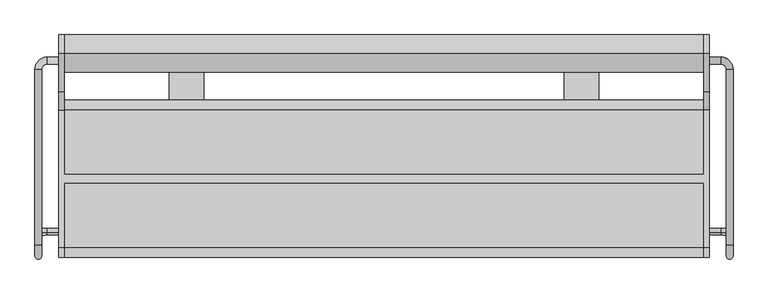
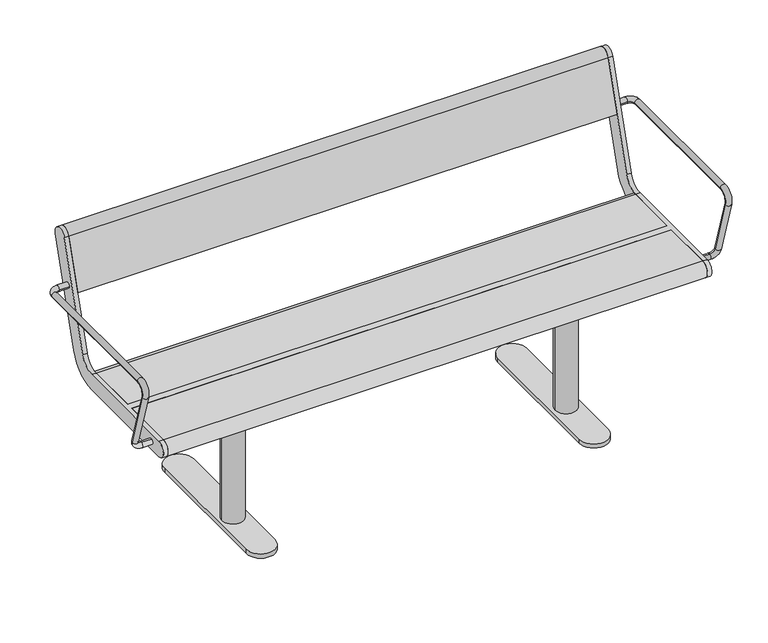
"""IFC4 building model written with IfcOpenShell, lengths in millimetres: furniture geometry."""

from ifc_helpers import new_model, si_unit, point, frame, frame_2d, origin, origin_with_axes, place, context, project, spatial, polyline, circle_curve, ellipse_curve, trimmed, segment, composite_curve, outline, extrude, source, transform, mapped, element, save
from ifc_brep_helpers import plane_surface, cylinder_surface, revolved_surface, advanced_brep


def furniture_3069e2c8(model_context):
    return source(origin(), model_context, "Body", "SolidModel", [
        advanced_brep(
        [(757.0, -126.3389736, 435.150438), (757.0, -121.6610264, 419.849562), (784.0, -121.6610264, 419.849562), (784.0, -126.3389736, 435.150438), (813.0, -130.1398058, 447.5823999), (797.0, -130.1398058, 447.5823999), (797.0, 254.0, 641.5), (797.0, -154.3793835, 641.5), (813.0, -154.3793835, 641.5), (813.0, 254.0, 641.5), (813.0, -179.1796199, 607.9844042), (797.0, -179.1796199, 607.9844042), (757.0, 267.0, 641.5), (757.0, 283.0, 641.5), (784.0, 267.0, 641.5), (784.0, 283.0, 641.5)],
        [
            (0, 1, circle_curve(frame((757.0, -124.0, 427.5), z_axis=(-1.0, 0.0, 0.0), x_axis=(0.0, 0.2923717047227402, -0.9563047559630344)), 8.0)),
            (1, 0, circle_curve(frame((757.0, -124.0, 427.5), z_axis=(-1.0, 0.0, 0.0), x_axis=(0.0, 0.2923717047227402, -0.9563047559630344)), 8.0)),
            (1, 2),
            (2, 3, circle_curve(frame((784.0, -124.0, 427.5), z_axis=(-1.0, 0.0, 0.0), x_axis=(0.0, 0.2923717047227402, -0.9563047559630344)), 8.0)),
            (3, 0),
            (3, 2, circle_curve(frame((784.0, -124.0, 427.5), z_axis=(-1.0, 0.0, 0.0), x_axis=(0.0, 0.2923717047227402, -0.9563047559630344)), 8.0)),
            (2, 4, circle_curve(frame((784.0, -130.1398058, 447.5823999), z_axis=(0.0, -0.9563047559630344, -0.29237170472274027), x_axis=(0.0, 0.29237170472274027, -0.9563047559630344)), 29.0)),
            (4, 5, circle_curve(frame((805.0, -130.1398058, 447.5823999), z_axis=(0.0, 0.29237170472274027, -0.9563047559630344), x_axis=(1.0, 0.0, 0.0)), 8.0)),
            (5, 3, circle_curve(frame((784.0, -130.1398058, 447.5823999), z_axis=(0.0, 0.9563047559630344, 0.29237170472274027), x_axis=(0.0, 0.29237170472274027, -0.9563047559630344)), 13.0)),
            (5, 4, circle_curve(frame((805.0, -130.1398058, 447.5823999), z_axis=(0.0, 0.29237170472274027, -0.9563047559630344), x_axis=(1.0, 0.0, 0.0)), 8.0)),
            (6, 7),
            (7, 8, circle_curve(frame((805.0, -154.3793835, 641.5), z_axis=(0.0, 1.0, 0.0), x_axis=(1.0, 0.0, 0.0)), 8.0)),
            (8, 9),
            (9, 6, circle_curve(frame((805.0, 254.0, 641.5), z_axis=(0.0, -1.0, 0.0), x_axis=(1.0, 0.0, 0.0)), 8.0)),
            (6, 9, circle_curve(frame((805.0, 254.0, 641.5), z_axis=(0.0, -1.0, 0.0), x_axis=(1.0, 0.0, 0.0)), 8.0)),
            (8, 7, circle_curve(frame((805.0, -154.3793835, 641.5), z_axis=(0.0, 1.0, 0.0), x_axis=(1.0, 0.0, 0.0)), 8.0)),
            (8, 10, circle_curve(frame((813.0, -154.3793835, 615.5665973), z_axis=(1.0, 0.0, 0.0), x_axis=(0.0, 0.0, 1.0)), 25.9334027)),
            (10, 11, circle_curve(frame((805.0, -179.1796199, 607.9844042), z_axis=(0.0, -0.29237170472273366, 0.9563047559630364), x_axis=(1.0, 0.0, 0.0)), 8.0)),
            (11, 7, circle_curve(frame((797.0, -154.3793835, 615.5665973), z_axis=(-1.0, 0.0, 0.0), x_axis=(0.0, 0.0, 1.0)), 25.9334027)),
            (11, 10, circle_curve(frame((805.0, -179.1796199, 607.9844042), z_axis=(0.0, -0.2923717047227341, 0.9563047559630362), x_axis=(1.0, 0.0, 0.0)), 8.0)),
            (10, 4),
            (5, 11),
            (12, 13, circle_curve(frame((757.0, 275.0, 641.5), z_axis=(-1.0, 0.0, 0.0), x_axis=(0.0, 1.0, 0.0)), 8.0)),
            (13, 12, circle_curve(frame((757.0, 275.0, 641.5), z_axis=(-1.0, 0.0, 0.0), x_axis=(0.0, 1.0, 0.0)), 8.0)),
            (12, 14),
            (14, 15, circle_curve(frame((784.0, 275.0, 641.5), z_axis=(-1.0, 0.0, 0.0), x_axis=(0.0, 1.0, 0.0)), 8.0)),
            (15, 13),
            (15, 14, circle_curve(frame((784.0, 275.0, 641.5), z_axis=(-1.0, 0.0, 0.0), x_axis=(0.0, 1.0, 0.0)), 8.0)),
            (14, 6, circle_curve(frame((784.0, 254.0, 641.5), z_axis=(0.0, 0.0, -1.0), x_axis=(0.0, 1.0, 0.0)), 13.0)),
            (9, 15, circle_curve(frame((784.0, 254.0, 641.5), z_axis=(0.0, 0.0, 1.0), x_axis=(0.0, 1.0, 0.0)), 29.0)),
        ],
        [
            plane_surface(frame((757.0, 489.469501, 615.0564486), z_axis=(-1.0, 0.0, 0.0), x_axis=(0.0, -0.9563047559630344, -0.29237170472274027))),
            cylinder_surface(frame((757.0, -124.0, 427.5), z_axis=(-1.0, 0.0, 0.0), x_axis=(0.0, 0.2923717047227402, -0.9563047559630344)), 8.0),
            revolved_surface(trimmed(ellipse_curve(frame((784.0, -124.0, 427.5), z_axis=(-1.0, 0.0, 0.0), x_axis=(0.0, 0.2923717047227402, -0.9563047559630344)), 8.0, 8.0), [point((784.0, -121.6610264, 419.849562))], [point((784.0, -126.3389736, 435.150438))], True, "CARTESIAN"), (784.0, 483.3296952, 635.1388485), (0.0, -0.9563047559630344, -0.29237170472274027)),
            revolved_surface(trimmed(ellipse_curve(frame((784.0, -124.0, 427.5), z_axis=(-1.0, 0.0, 0.0), x_axis=(0.0, 0.2923717047227402, -0.9563047559630344)), 8.0, 8.0), [point((784.0, -126.3389736, 435.150438))], [point((784.0, -121.6610264, 419.849562))], True, "CARTESIAN"), (784.0, 483.3296952, 635.1388485), (0.0, -0.9563047559630344, -0.29237170472274027)),
            cylinder_surface(frame((805.0, 254.0, 641.5), z_axis=(0.0, 1.0, 0.0), x_axis=(1.0, 0.0, 0.0)), 8.0),
            revolved_surface(trimmed(ellipse_curve(frame((805.0, -154.3793835, 641.5), z_axis=(0.0, 1.0, 0.0), x_axis=(1.0, 0.0, 0.0)), 8.0, 8.0), [point((813.0, -154.3793835, 641.5))], [point((797.0, -154.3793835, 641.5))], True, "CARTESIAN"), (500.0, -154.3793835, 615.5665973), (1.0, 0.0, 0.0)),
            revolved_surface(trimmed(ellipse_curve(frame((805.0, -154.3793835, 641.5), z_axis=(0.0, 1.0, 0.0), x_axis=(1.0, 0.0, 0.0)), 8.0, 8.0), [point((797.0, -154.3793835, 641.5))], [point((813.0, -154.3793835, 641.5))], True, "CARTESIAN"), (500.0, -154.3793835, 615.5665973), (1.0, 0.0, 0.0)),
            cylinder_surface(frame((805.0, -179.1796199, 607.9844042), z_axis=(0.0, -0.29237170472273794, 0.9563047559630351), x_axis=(1.0, 0.0, 0.0)), 8.0),
            plane_surface(frame((757.0, 275.0, 0.0), z_axis=(-1.0, 0.0, 0.0), x_axis=(0.0, 0.0, 1.0))),
            cylinder_surface(frame((757.0, 275.0, 641.5), z_axis=(-1.0, 0.0, 0.0), x_axis=(0.0, 1.0, 0.0)), 8.0),
            revolved_surface(trimmed(ellipse_curve(frame((784.0, 275.0, 641.5), z_axis=(-1.0, 0.0, 0.0), x_axis=(0.0, 1.0, 0.0)), 8.0, 8.0), [point((784.0, 267.0, 641.5))], [point((784.0, 283.0, 641.5))], True, "CARTESIAN"), (784.0, 254.0, 0.0), (0.0, 0.0, -1.0)),
            revolved_surface(trimmed(ellipse_curve(frame((784.0, 275.0, 641.5), z_axis=(-1.0, 0.0, 0.0), x_axis=(0.0, 1.0, 0.0)), 8.0, 8.0), [point((784.0, 283.0, 641.5))], [point((784.0, 267.0, 641.5))], True, "CARTESIAN"), (784.0, 254.0, 0.0), (0.0, 0.0, -1.0)),
        ],
        [
            (0, [[1, 2]]),
            (1, [[-2, 3, 4, 5]]),
            (1, [[-1, -5, 6, -3]]),
            (2, [[-4, 7, 8, 9]]),
            (3, [[-6, -9, 10, -7]]),
            (4, [[11, 12, 13, 14]]),
            (4, [[-11, 15, -13, 16]]),
            (5, [[-16, 17, 18, 19]]),
            (6, [[-12, -19, 20, -17]]),
            (7, [[-18, 21, -10, 22]]),
            (7, [[-20, -22, -8, -21]]),
            (8, [[23, 24]]),
            (9, [[-23, 25, 26, 27]]),
            (9, [[-24, -27, 28, -25]]),
            (10, [[-26, 29, -14, 30]]),
            (11, [[-28, -30, -15, -29]]),
        ],
    ),
        advanced_brep(
        [(-813.0, 254.0, 641.5), (-813.0, -154.3793835, 641.5), (-797.0, -154.3793835, 641.5), (-797.0, 254.0, 641.5), (-757.0, 267.0, 641.5), (-757.0, 283.0, 641.5), (-784.0, 283.0, 641.5), (-784.0, 267.0, 641.5), (-797.0, -179.1796199, 607.9844042), (-813.0, -179.1796199, 607.9844042), (-797.0, -130.1398058, 447.5823999), (-813.0, -130.1398058, 447.5823999), (-757.0, -126.3389736, 435.150438), (-757.0, -121.6610264, 419.849562), (-784.0, -126.3389736, 435.150438), (-784.0, -121.6610264, 419.849562)],
        [
            (0, 1),
            (1, 2, circle_curve(frame((-805.0, -154.3793835, 641.5), z_axis=(0.0, 1.0, 0.0), x_axis=(-1.0, 0.0, 0.0)), 8.0)),
            (2, 3),
            (3, 0, circle_curve(frame((-805.0, 254.0, 641.5), z_axis=(0.0, -1.0, 0.0), x_axis=(-1.0, 0.0, 0.0)), 8.0)),
            (0, 3, circle_curve(frame((-805.0, 254.0, 641.5), z_axis=(0.0, -1.0, 0.0), x_axis=(-1.0, 0.0, 0.0)), 8.0)),
            (2, 1, circle_curve(frame((-805.0, -154.3793835, 641.5), z_axis=(0.0, 1.0, 0.0), x_axis=(-1.0, 0.0, 0.0)), 8.0)),
            (4, 5, circle_curve(frame((-757.0, 275.0, 641.5), z_axis=(1.0, 0.0, 0.0), x_axis=(0.0, 1.0, 0.0)), 8.0)),
            (5, 4, circle_curve(frame((-757.0, 275.0, 641.5), z_axis=(1.0, 0.0, 0.0), x_axis=(0.0, 1.0, 0.0)), 8.0)),
            (5, 6),
            (6, 7, circle_curve(frame((-784.0, 275.0, 641.5), z_axis=(1.0, 0.0, 0.0), x_axis=(0.0, 1.0, 0.0)), 8.0)),
            (7, 4),
            (7, 6, circle_curve(frame((-784.0, 275.0, 641.5), z_axis=(1.0, 0.0, 0.0), x_axis=(0.0, 1.0, 0.0)), 8.0)),
            (6, 0, circle_curve(frame((-784.0, 254.0, 641.5), z_axis=(0.0, 0.0, 1.0), x_axis=(0.0, 1.0, 0.0)), 29.0)),
            (3, 7, circle_curve(frame((-784.0, 254.0, 641.5), z_axis=(0.0, 0.0, -1.0), x_axis=(0.0, 1.0, 0.0)), 13.0)),
            (2, 8, circle_curve(frame((-797.0, -154.3793835, 615.5665973), z_axis=(1.0, 0.0, 0.0), x_axis=(0.0, 0.0, 1.0)), 25.9334027)),
            (8, 9, circle_curve(frame((-805.0, -179.1796199, 607.9844042), z_axis=(0.0, -0.29237170472273327, 0.9563047559630365), x_axis=(-1.0, 0.0, 0.0)), 8.0)),
            (9, 1, circle_curve(frame((-813.0, -154.3793835, 615.5665973), z_axis=(-1.0, 0.0, 0.0), x_axis=(0.0, 0.0, 1.0)), 25.9334027)),
            (9, 8, circle_curve(frame((-805.0, -179.1796199, 607.9844042), z_axis=(0.0, -0.29237170472273366, 0.9563047559630364), x_axis=(-1.0, 0.0, 0.0)), 8.0)),
            (8, 10),
            (10, 11, circle_curve(frame((-805.0, -130.1398058, 447.5823999), z_axis=(0.0, -0.29237170472273794, 0.9563047559630351), x_axis=(-1.0, 0.0, 0.0)), 8.0)),
            (11, 9),
            (11, 10, circle_curve(frame((-805.0, -130.1398058, 447.5823999), z_axis=(0.0, -0.29237170472273794, 0.9563047559630351), x_axis=(-1.0, 0.0, 0.0)), 8.0)),
            (12, 13, circle_curve(frame((-757.0, -124.0, 427.5), z_axis=(1.0, 0.0, 0.0), x_axis=(0.0, 0.2923717047227402, -0.9563047559630344)), 8.0)),
            (13, 12, circle_curve(frame((-757.0, -124.0, 427.5), z_axis=(1.0, 0.0, 0.0), x_axis=(0.0, 0.2923717047227402, -0.9563047559630344)), 8.0)),
            (12, 14),
            (14, 15, circle_curve(frame((-784.0, -124.0, 427.5), z_axis=(1.0, 0.0, 0.0), x_axis=(0.0, 0.2923717047227402, -0.9563047559630344)), 8.0)),
            (15, 13),
            (15, 14, circle_curve(frame((-784.0, -124.0, 427.5), z_axis=(1.0, 0.0, 0.0), x_axis=(0.0, 0.2923717047227402, -0.9563047559630344)), 8.0)),
            (14, 10, circle_curve(frame((-784.0, -130.1398058, 447.5823999), z_axis=(0.0, 0.9563047559630344, 0.29237170472274027), x_axis=(0.0, 0.29237170472274027, -0.9563047559630344)), 13.0)),
            (11, 15, circle_curve(frame((-784.0, -130.1398058, 447.5823999), z_axis=(0.0, -0.9563047559630344, -0.29237170472274027), x_axis=(0.0, 0.29237170472274027, -0.9563047559630344)), 29.0)),
        ],
        [
            cylinder_surface(frame((-805.0, 254.0, 641.5), z_axis=(0.0, 1.0, 0.0), x_axis=(-1.0, 0.0, 0.0)), 8.0),
            plane_surface(frame((-757.0, 275.0, 0.0), z_axis=(1.0, 0.0, 0.0), x_axis=(0.0, 0.0, 1.0))),
            cylinder_surface(frame((-757.0, 275.0, 641.5), z_axis=(1.0, 0.0, 0.0), x_axis=(0.0, 1.0, 0.0)), 8.0),
            revolved_surface(trimmed(ellipse_curve(frame((-784.0, 275.0, 641.5), z_axis=(1.0, 0.0, 0.0), x_axis=(0.0, 1.0, 0.0)), 8.0, 8.0), [point((-784.0, 283.0, 641.5))], [point((-784.0, 267.0, 641.5))], True, "CARTESIAN"), (-784.0, 254.0, 0.0), (0.0, 0.0, 1.0)),
            revolved_surface(trimmed(ellipse_curve(frame((-784.0, 275.0, 641.5), z_axis=(1.0, 0.0, 0.0), x_axis=(0.0, 1.0, 0.0)), 8.0, 8.0), [point((-784.0, 267.0, 641.5))], [point((-784.0, 283.0, 641.5))], True, "CARTESIAN"), (-784.0, 254.0, 0.0), (0.0, 0.0, 1.0)),
            revolved_surface(trimmed(ellipse_curve(frame((-805.0, -154.3793835, 641.5), z_axis=(0.0, 1.0, 0.0), x_axis=(-1.0, 0.0, 0.0)), 8.0, 8.0), [point((-797.0, -154.3793835, 641.5))], [point((-813.0, -154.3793835, 641.5))], True, "CARTESIAN"), (-500.0, -154.3793835, 615.5665973), (1.0, 0.0, 0.0)),
            revolved_surface(trimmed(ellipse_curve(frame((-805.0, -154.3793835, 641.5), z_axis=(0.0, 1.0, 0.0), x_axis=(-1.0, 0.0, 0.0)), 8.0, 8.0), [point((-813.0, -154.3793835, 641.5))], [point((-797.0, -154.3793835, 641.5))], True, "CARTESIAN"), (-500.0, -154.3793835, 615.5665973), (1.0, 0.0, 0.0)),
            cylinder_surface(frame((-805.0, -179.1796199, 607.9844042), z_axis=(0.0, -0.29237170472273794, 0.9563047559630351), x_axis=(-1.0, 0.0, 0.0)), 8.0),
            plane_surface(frame((-757.0, 489.469501, 615.0564486), z_axis=(1.0, 0.0, 0.0), x_axis=(0.0, -0.9563047559630344, -0.29237170472274027))),
            cylinder_surface(frame((-757.0, -124.0, 427.5), z_axis=(1.0, 0.0, 0.0), x_axis=(0.0, 0.2923717047227402, -0.9563047559630344)), 8.0),
            revolved_surface(trimmed(ellipse_curve(frame((-784.0, -124.0, 427.5), z_axis=(1.0, 0.0, 0.0), x_axis=(0.0, 0.2923717047227402, -0.9563047559630344)), 8.0, 8.0), [point((-784.0, -126.3389736, 435.150438))], [point((-784.0, -121.6610264, 419.849562))], True, "CARTESIAN"), (-784.0, 483.3296952, 635.1388485), (0.0, 0.9563047559630344, 0.29237170472274027)),
            revolved_surface(trimmed(ellipse_curve(frame((-784.0, -124.0, 427.5), z_axis=(1.0, 0.0, 0.0), x_axis=(0.0, 0.2923717047227402, -0.9563047559630344)), 8.0, 8.0), [point((-784.0, -121.6610264, 419.849562))], [point((-784.0, -126.3389736, 435.150438))], True, "CARTESIAN"), (-784.0, 483.3296952, 635.1388485), (0.0, 0.9563047559630344, 0.29237170472274027)),
        ],
        [
            (0, [[1, 2, 3, 4]]),
            (0, [[-1, 5, -3, 6]]),
            (1, [[7, 8]]),
            (2, [[-8, 9, 10, 11]]),
            (2, [[-7, -11, 12, -9]]),
            (3, [[-10, 13, -4, 14]]),
            (4, [[-12, -14, -5, -13]]),
            (5, [[-6, 15, 16, 17]]),
            (6, [[-2, -17, 18, -15]]),
            (7, [[-16, 19, 20, 21]]),
            (7, [[-18, -21, 22, -19]]),
            (8, [[23, 24]]),
            (9, [[-23, 25, 26, 27]]),
            (9, [[-24, -27, 28, -25]]),
            (10, [[-26, 29, -22, 30]]),
            (11, [[-28, -30, -20, -29]]),
        ],
    ),
        advanced_brep(
        [(-745.0, 291.0375971, 769.6910048), (-745.0, 203.033714, 481.8432733), (-745.0, 160.0, 450.0), (-745.0, 9.5, 450.0), (-745.0, 9.5, 405.0), (-745.0, 160.0, 405.0), (-745.0, 246.067428, 468.6865466), (-745.0, 334.0713112, 756.5342781), (-745.0, -161.0, 450.0), (-745.0, -161.0, 405.0), (-745.0, -10.5, 405.0), (-745.0, -10.5, 450.0), (-757.0, 291.0375971, 769.6910048), (-757.0, 334.0713112, 756.5342781), (-757.0, 246.067428, 468.6865466), (-757.0, 160.0, 405.0), (-757.0, -161.0, 405.0), (-757.0, -161.0, 450.0), (-757.0, 160.0, 450.0), (-757.0, 203.033714, 481.8432733), (745.0, -10.5, 450.0), (745.0, -161.0, 450.0), (757.0, -161.0, 450.0), (757.0, 160.0, 450.0), (745.0, 160.0, 450.0), (745.0, 9.5, 450.0), (745.0, 9.5, 405.0), (745.0, 160.0, 405.0), (757.0, 160.0, 405.0), (757.0, -161.0, 405.0), (745.0, -161.0, 405.0), (745.0, -10.5, 405.0), (757.0, 291.0375971, 769.6910048), (757.0, 203.033714, 481.8432733), (757.0, 246.067428, 468.6865466), (757.0, 334.0713112, 756.5342781), (745.0, 291.0375971, 769.6910048), (745.0, 334.0713112, 756.5342781), (745.0, 246.067428, 468.6865466), (745.0, 203.033714, 481.8432733)],
        [
            (0, 1),
            (1, 2, circle_curve(frame((-745.0, 160.0, 495.0), z_axis=(-1.0, 0.0, 0.0), x_axis=(0.0, -1.0, 0.0)), 45.0)),
            (2, 3),
            (3, 4),
            (4, 5),
            (5, 6, circle_curve(frame((-745.0, 160.0, 495.0), z_axis=(1.0, 0.0, 0.0), x_axis=(0.0, -1.0, 0.0)), 90.0)),
            (6, 7),
            (7, 0, circle_curve(frame((-745.0, 312.5544541, 763.1126415), z_axis=(1.0, 0.0, 0.0), x_axis=(0.0, -1.0, 0.0)), 22.5)),
            (8, 9, circle_curve(frame((-745.0, -161.0, 427.5), z_axis=(1.0, 0.0, 0.0), x_axis=(0.0, -1.0, 0.0)), 22.5)),
            (9, 10),
            (10, 11),
            (11, 8),
            (12, 13, circle_curve(frame((-757.0, 312.5544541, 763.1126415), z_axis=(-1.0, 0.0, 0.0), x_axis=(0.0, -1.0, 0.0)), 22.5)),
            (13, 14),
            (14, 15, circle_curve(frame((-757.0, 160.0, 495.0), z_axis=(-1.0, 0.0, 0.0), x_axis=(0.0, -1.0, 0.0)), 90.0)),
            (15, 16),
            (16, 17, circle_curve(frame((-757.0, -161.0, 427.5), z_axis=(-1.0, 0.0, 0.0), x_axis=(0.0, -1.0, 0.0)), 22.5)),
            (17, 18),
            (18, 19, circle_curve(frame((-757.0, 160.0, 495.0), z_axis=(1.0, 0.0, 0.0), x_axis=(0.0, -1.0, 0.0)), 45.0)),
            (19, 12),
            (0, 12),
            (19, 1),
            (18, 2),
            (17, 8),
            (11, 20),
            (20, 21),
            (21, 22),
            (22, 23),
            (23, 24),
            (24, 25),
            (25, 3),
            (15, 5),
            (4, 26),
            (26, 27),
            (27, 28),
            (28, 29),
            (29, 30),
            (30, 31),
            (31, 10),
            (9, 16),
            (14, 6),
            (13, 7),
            (31, 20),
            (25, 26),
            (32, 33),
            (33, 23, circle_curve(frame((757.0, 160.0, 495.0), z_axis=(-1.0, 0.0, 0.0), x_axis=(0.0, -1.0, 0.0)), 45.0)),
            (22, 29, circle_curve(frame((757.0, -161.0, 427.5), z_axis=(1.0, 0.0, 0.0), x_axis=(0.0, -1.0, 0.0)), 22.5)),
            (28, 34, circle_curve(frame((757.0, 160.0, 495.0), z_axis=(1.0, 0.0, 0.0), x_axis=(0.0, -1.0, 0.0)), 90.0)),
            (34, 35),
            (35, 32, circle_curve(frame((757.0, 312.5544541, 763.1126415), z_axis=(1.0, 0.0, 0.0), x_axis=(0.0, -1.0, 0.0)), 22.5)),
            (36, 37, circle_curve(frame((745.0, 312.5544541, 763.1126415), z_axis=(-1.0, 0.0, 0.0), x_axis=(0.0, -1.0, 0.0)), 22.5)),
            (37, 38),
            (38, 27, circle_curve(frame((745.0, 160.0, 495.0), z_axis=(-1.0, 0.0, 0.0), x_axis=(0.0, -1.0, 0.0)), 90.0)),
            (24, 39, circle_curve(frame((745.0, 160.0, 495.0), z_axis=(1.0, 0.0, 0.0), x_axis=(0.0, -1.0, 0.0)), 45.0)),
            (39, 36),
            (30, 21, circle_curve(frame((745.0, -161.0, 427.5), z_axis=(-1.0, 0.0, 0.0), x_axis=(0.0, -1.0, 0.0)), 22.5)),
            (32, 36),
            (39, 33),
            (38, 34),
            (37, 35),
        ],
        [
            plane_surface(frame((-745.0, 203.033714, 481.8432733), z_axis=(1.0000000000000002, 0.0, 0.0), x_axis=(0.0, -0.29237170472273394, -0.9563047559630364))),
            plane_surface(frame((-757.0, 203.033714, 481.8432733), z_axis=(-1.0000000000000002, 0.0, 0.0), x_axis=(0.0, 0.29237170472273394, 0.9563047559630364))),
            plane_surface(frame((-745.0, 291.0375971, 769.6910048), z_axis=(0.0, -0.9563047559630364, 0.29237170472273394), x_axis=(-1.0, 0.0, 0.0))),
            revolved_surface(polyline([(-757.0, 115.0, 495.0), (-745.0, 115.0, 495.0)]), (-757.0, 160.0, 495.0), (-1.0, 0.0, 0.0)),
            plane_surface(frame((-745.0, 160.0, 450.0), z_axis=(0.0, 0.0, 1.0), x_axis=(-1.0, 0.0, 0.0))),
            plane_surface(frame((-745.0, -161.0, 405.0), z_axis=(0.0, 0.0, -1.0), x_axis=(-1.0, 0.0, 0.0))),
            cylinder_surface(frame((-757.0, 160.0, 495.0), z_axis=(1.0, 0.0, 0.0), x_axis=(0.0, -1.0, 0.0)), 90.0),
            plane_surface(frame((-745.0, 246.067428, 468.6865466), z_axis=(0.0, 0.9563047559630364, -0.29237170472273366), x_axis=(-1.0, 0.0, 0.0))),
            cylinder_surface(frame((-757.0, 312.5544541, 763.1126415), z_axis=(1.0, 0.0, 0.0), x_axis=(0.0, -1.0, 0.0)), 22.5),
            cylinder_surface(frame((-757.0, -161.0, 427.5), z_axis=(1.0, 0.0, 0.0), x_axis=(0.0, -1.0, 0.0)), 22.5),
            plane_surface(frame((745.0, -10.5, 450.0), z_axis=(0.0, -1.0, 0.0), x_axis=(-1.0, 0.0, 0.0))),
            plane_surface(frame((745.0, 9.5, 405.0), z_axis=(0.0, 1.0, 0.0), x_axis=(-1.0, 0.0, 0.0))),
            plane_surface(frame((757.0, 203.033714, 481.8432733), z_axis=(1.0000000000000002, 0.0, 0.0), x_axis=(0.0, -0.29237170472273394, -0.9563047559630364))),
            plane_surface(frame((745.0, 203.033714, 481.8432733), z_axis=(-1.0000000000000002, 0.0, 0.0), x_axis=(0.0, 0.29237170472273394, 0.9563047559630364))),
            plane_surface(frame((757.0, 291.0375971, 769.6910048), z_axis=(0.0, -0.9563047559630364, 0.29237170472273394), x_axis=(-1.0, 0.0, 0.0))),
            revolved_surface(polyline([(745.0, 115.0, 495.0), (757.0, 115.0, 495.0)]), (745.0, 160.0, 495.0), (-1.0, 0.0, 0.0)),
            cylinder_surface(frame((745.0, 160.0, 495.0), z_axis=(1.0, 0.0, 0.0), x_axis=(0.0, -1.0, 0.0)), 90.0),
            plane_surface(frame((757.0, 246.067428, 468.6865466), z_axis=(0.0, 0.9563047559630364, -0.29237170472273366), x_axis=(-1.0, 0.0, 0.0))),
            cylinder_surface(frame((745.0, 312.5544541, 763.1126415), z_axis=(1.0, 0.0, 0.0), x_axis=(0.0, -1.0, 0.0)), 22.5),
            cylinder_surface(frame((745.0, -161.0, 427.5), z_axis=(1.0, 0.0, 0.0), x_axis=(0.0, -1.0, 0.0)), 22.5),
        ],
        [
            (0, [[1, 2, 3, 4, 5, 6, 7, 8]]),
            (0, [[9, 10, 11, 12]]),
            (1, [[13, 14, 15, 16, 17, 18, 19, 20]]),
            (2, [[-1, 21, -20, 22]]),
            (3, [[-2, -22, -19, 23]]),
            (4, [[-18, 24, -12, 25, 26, 27, 28, 29, 30, 31, -3, -23]]),
            (5, [[-16, 32, -5, 33, 34, 35, 36, 37, 38, 39, -10, 40]]),
            (6, [[-6, -32, -15, 41]]),
            (7, [[-7, -41, -14, 42]]),
            (8, [[-8, -42, -13, -21]]),
            (9, [[-9, -24, -17, -40]]),
            (10, [[-25, -11, -39, 43]]),
            (11, [[-31, 44, -33, -4]]),
            (12, [[45, 46, -28, 47, -36, 48, 49, 50]]),
            (13, [[51, 52, 53, -34, -44, -30, 54, 55]]),
            (13, [[56, -26, -43, -38]]),
            (14, [[-45, 57, -55, 58]]),
            (15, [[-46, -58, -54, -29]]),
            (16, [[-48, -35, -53, 59]]),
            (17, [[-49, -59, -52, 60]]),
            (18, [[-50, -60, -51, -57]]),
            (19, [[-47, -27, -56, -37]]),
        ],
    ),
        extrude(outline(composite_curve([segment(trimmed(circle_curve(frame_2d((312.5544541, 763.1126415)), 22.5), [point((291.0375971, 769.6910048))], [point((334.0713112, 756.5342781))], False, "CARTESIAN"), True, "CONTINUOUS"), segment(polyline([(334.0713112, 756.5342781), (291.5312281, 617.3919361), (248.4975141, 630.5486628), (291.0375971, 769.6910048)]), True, "CONTINUOUS")], self_intersect=False)), frame((-745.0, 0.0, 0.0), z_axis=(1.0, 0.0, 0.0), x_axis=(0.0, 1.0, 0.0)), (0.0, 0.0, 1.0), 1490.0),
        extrude(outline(composite_curve([segment(polyline([(9.5, 405.0), (9.5, 450.0), (160.0, 450.0)]), True, "CONTINUOUS"), segment(trimmed(circle_curve(frame_2d((160.0, 427.5)), 22.5), [point((160.0, 450.0))], [point((160.0, 405.0))], False, "CARTESIAN"), True, "CONTINUOUS"), segment(polyline([(160.0, 405.0), (9.5, 405.0)]), True, "CONTINUOUS")], self_intersect=False)), frame((-745.0, 0.0, 0.0), z_axis=(1.0, 0.0, 0.0), x_axis=(0.0, 1.0, 0.0)), (0.0, 0.0, 1.0), 1490.0),
        extrude(outline(composite_curve([segment(polyline([(-10.5, 405.0), (-161.0, 405.0)]), True, "CONTINUOUS"), segment(trimmed(circle_curve(frame_2d((-161.0, 427.5)), 22.5), [point((-161.0, 405.0))], [point((-161.0, 450.0))], False, "CARTESIAN"), True, "CONTINUOUS"), segment(polyline([(-161.0, 450.0), (-10.5, 450.0), (-10.5, 405.0)]), True, "CONTINUOUS")], self_intersect=False)), frame((-745.0, 0.0, 0.0), z_axis=(1.0, 0.0, 0.0), x_axis=(0.0, 1.0, 0.0)), (0.0, 0.0, 1.0), 1490.0),
        extrude(outline(composite_curve([segment(trimmed(circle_curve(frame_2d((460.0, 257.0)), 17.0), [point((477.0, 257.0))], [point((443.0, 257.0))], False, "CARTESIAN"), True, "CONTINUOUS"), segment(trimmed(circle_curve(frame_2d((460.0, 257.0)), 17.0), [point((443.0, 257.0))], [point((477.0, 257.0))], False, "CARTESIAN"), True, "CONTINUOUS")], self_intersect=False)), origin_with_axes(), (0.0, 0.0, 1.0), 15.0),
        extrude(outline(composite_curve([segment(trimmed(circle_curve(frame_2d((460.0, -133.0)), 17.0), [point((477.0, -133.0))], [point((443.0, -133.0))], False, "CARTESIAN"), True, "CONTINUOUS"), segment(trimmed(circle_curve(frame_2d((460.0, -133.0)), 17.0), [point((443.0, -133.0))], [point((477.0, -133.0))], False, "CARTESIAN"), True, "CONTINUOUS")], self_intersect=False)), origin_with_axes(), (0.0, 0.0, 1.0), 15.0),
        extrude(outline(composite_curve([segment(trimmed(circle_curve(frame_2d((460.0, 0.0)), 30.0), [point((490.0, 0.0))], [point((430.0, 0.0))], False, "CARTESIAN"), True, "CONTINUOUS"), segment(trimmed(circle_curve(frame_2d((460.0, 0.0)), 30.0), [point((430.0, 0.0))], [point((490.0, 0.0))], False, "CARTESIAN"), True, "CONTINUOUS")], self_intersect=False)), frame((0.0, 0.0, 27.0), z_axis=(0.0, 0.0, 1.0), x_axis=(1.0, 0.0, 0.0)), (0.0, 0.0, 1.0), 362.0),
        extrude(outline(polyline([(535.0, -125.0), (385.0, -125.0), (385.0, 125.0), (535.0, 125.0), (535.0, -125.0)])), frame((0.0, 0.0, 389.0), z_axis=(0.0, 0.0, 1.0), x_axis=(1.0, 0.0, 0.0)), (0.0, 0.0, 1.0), 16.0),
        extrude(outline(composite_curve([segment(trimmed(circle_curve(frame_2d((460.0, -133.0)), 40.0), [point((500.0, -133.0))], [point((420.0, -133.0))], False, "CARTESIAN"), True, "CONTINUOUS"), segment(polyline([(420.0, -133.0), (420.0, 257.0)]), True, "CONTINUOUS"), segment(trimmed(circle_curve(frame_2d((460.0, 257.0)), 40.0), [point((420.0, 257.0))], [point((500.0, 257.0))], False, "CARTESIAN"), True, "CONTINUOUS"), segment(polyline([(500.0, 257.0), (500.0, -133.0)]), True, "CONTINUOUS")], self_intersect=False)), frame((0.0, 0.0, 15.0), z_axis=(0.0, 0.0, 1.0), x_axis=(1.0, 0.0, 0.0)), (0.0, 0.0, 1.0), 12.0),
        extrude(outline(composite_curve([segment(trimmed(circle_curve(frame_2d((-460.0, 257.0)), 17.0), [point((-477.0, 257.0))], [point((-443.0, 257.0))], False, "CARTESIAN"), True, "CONTINUOUS"), segment(trimmed(circle_curve(frame_2d((-460.0, 257.0)), 17.0), [point((-443.0, 257.0))], [point((-477.0, 257.0))], False, "CARTESIAN"), True, "CONTINUOUS")], self_intersect=False)), origin_with_axes(), (0.0, 0.0, 1.0), 15.0),
        extrude(outline(composite_curve([segment(trimmed(circle_curve(frame_2d((-460.0, -133.0)), 17.0), [point((-477.0, -133.0))], [point((-443.0, -133.0))], False, "CARTESIAN"), True, "CONTINUOUS"), segment(trimmed(circle_curve(frame_2d((-460.0, -133.0)), 17.0), [point((-443.0, -133.0))], [point((-477.0, -133.0))], False, "CARTESIAN"), True, "CONTINUOUS")], self_intersect=False)), origin_with_axes(), (0.0, 0.0, 1.0), 15.0),
        extrude(outline(composite_curve([segment(trimmed(circle_curve(frame_2d((-460.0, 0.0)), 30.0), [point((-490.0, 0.0))], [point((-430.0, 0.0))], False, "CARTESIAN"), True, "CONTINUOUS"), segment(trimmed(circle_curve(frame_2d((-460.0, 0.0)), 30.0), [point((-430.0, 0.0))], [point((-490.0, 0.0))], False, "CARTESIAN"), True, "CONTINUOUS")], self_intersect=False)), frame((0.0, 0.0, 27.0), z_axis=(0.0, 0.0, 1.0), x_axis=(1.0, 0.0, 0.0)), (0.0, 0.0, 1.0), 362.0),
        extrude(outline(polyline([(-535.0, -125.0), (-535.0, 125.0), (-385.0, 125.0), (-385.0, -125.0), (-535.0, -125.0)])), frame((0.0, 0.0, 389.0), z_axis=(0.0, 0.0, 1.0), x_axis=(1.0, 0.0, 0.0)), (0.0, 0.0, 1.0), 16.0),
        extrude(outline(composite_curve([segment(polyline([(-500.0, -133.0), (-500.0, 257.0)]), True, "CONTINUOUS"), segment(trimmed(circle_curve(frame_2d((-460.0, 257.0)), 40.0), [point((-500.0, 257.0))], [point((-420.0, 257.0))], False, "CARTESIAN"), True, "CONTINUOUS"), segment(polyline([(-420.0, 257.0), (-420.0, -133.0)]), True, "CONTINUOUS"), segment(trimmed(circle_curve(frame_2d((-460.0, -133.0)), 40.0), [point((-420.0, -133.0))], [point((-500.0, -133.0))], False, "CARTESIAN"), True, "CONTINUOUS")], self_intersect=False)), frame((0.0, 0.0, 15.0), z_axis=(0.0, 0.0, 1.0), x_axis=(1.0, 0.0, 0.0)), (0.0, 0.0, 1.0), 12.0),
    ])


if __name__ == "__main__":
    model = new_model("IFC4")
    model_context = context("Model", 3, world=origin())
    ifc_project = project(units=[si_unit("LENGTHUNIT", "METRE", prefix="MILLI")], contexts=[model_context])
    site = spatial("IfcSite", under=ifc_project)
    building = spatial("IfcBuilding", under=site)
    placement = place(None, origin())
    furniture_shape = furniture_3069e2c8(model_context)
    element("IfcFurniture", 1, at=placement, inside=building, context=model_context, shape_type="MappedRepresentation", body=[
        mapped(furniture_shape, transform((0.0, 0.0, 0.0), x_axis=(1.0, 0.0, 0.0), y_axis=(0.0, 1.0, 0.0), z_axis=(0.0, 0.0, 1.0))),
    ])
    save(model, "model.ifc")
